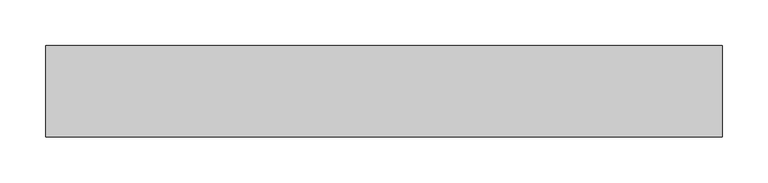
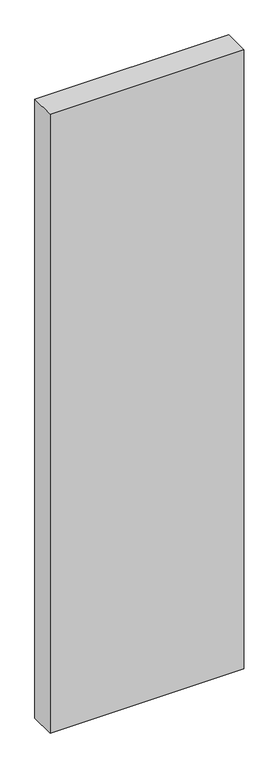
"""IFC4 building model written with IfcOpenShell, lengths in millimetres: proxy geometry."""

from ifc_helpers import new_model, si_unit, frame, origin, place, context, project, spatial, polyline, outline, extrude, source, transform, mapped, element, save


def generic_models_52049295(model_context):
    return source(origin(), model_context, "Body", "SweptSolid", [
        extrude(outline(polyline([(740.0, 100.0), (740.0, 0.0), (0.0, 0.0), (0.0, 100.0), (740.0, 100.0)])), frame((0.0, 0.0, -2500.0), z_axis=(0.0, 0.0, 1.0), x_axis=(1.0, 0.0, 0.0)), (0.0, 0.0, 1.0), 2500.0),
    ])


if __name__ == "__main__":
    model = new_model("IFC4")
    model_context = context("Model", 3, world=origin())
    ifc_project = project(units=[si_unit("LENGTHUNIT", "METRE", prefix="MILLI")], contexts=[model_context])
    site = spatial("IfcSite", under=ifc_project)
    building = spatial("IfcBuilding", under=site)
    placement = place(None, origin())
    generic_models_shape = generic_models_52049295(model_context)
    element("IfcBuildingElementProxy", 1, Name="Generic Models", at=placement, inside=building, context=model_context, shape_type="MappedRepresentation", body=[
        mapped(generic_models_shape, transform((0.0, 0.0, 0.0), x_axis=(1.0, 0.0, 0.0), y_axis=(0.0, 1.0, 0.0), z_axis=(0.0, 0.0, 1.0))),
    ])
    save(model, "model.ifc")
